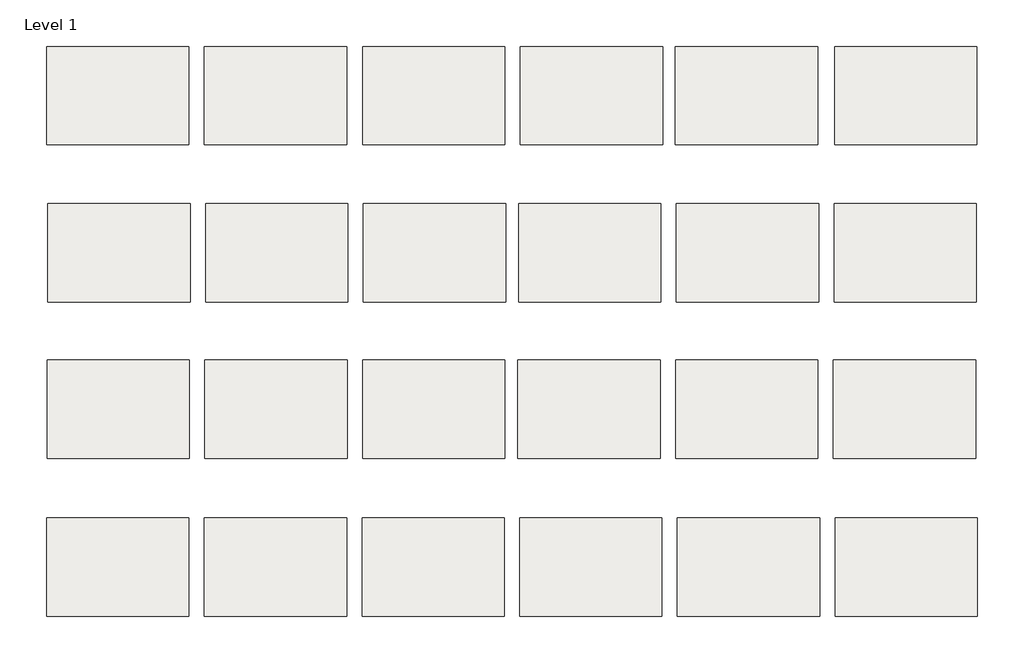
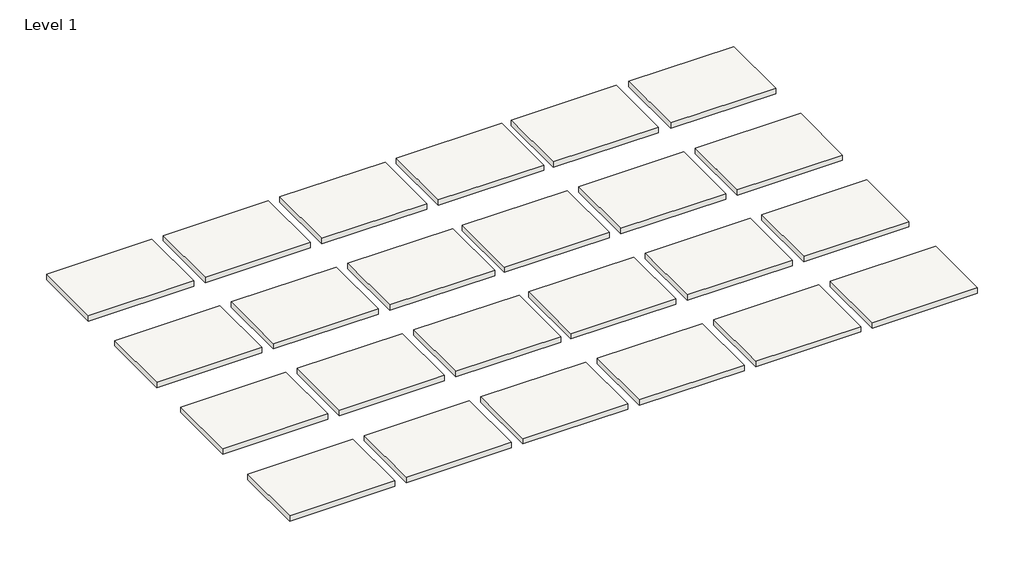
# One storey: 24 slabs.
"""IFC4 building model written with IfcOpenShell, lengths in millimetres."""

from ifc_helpers import new_model, si_unit, frame, origin, place, context, project, spatial, polyline, outline, extrude, element, save

model = new_model("IFC4")

# Units and contexts
model_context = context("Model", 3, world=origin())
ifc_project = project(units=[si_unit("LENGTHUNIT", "METRE", prefix="MILLI")], contexts=[model_context])

# Site, building, storey
site = spatial("IfcSite", under=ifc_project)
building = spatial("IfcBuilding", under=site)
storey = spatial("IfcBuildingStorey", under=building, Name="Level 1", Elevation=0.0)

# Slabs
placement = place(None, origin())
element("IfcSlab", 1, at=placement, inside=storey, context=model_context, shape_type="SweptSolid", body=[
    extrude(outline(polyline([(-37935.6980893, 34249.7017624), (-37935.6980893, 34491.0017624), (-37586.4480893, 34491.0017624), (-37586.4480893, 34249.7017624), (-37935.6980893, 34249.7017624)])), frame((0.0, 0.0, -19.05), z_axis=(0.0, 0.0, 1.0), x_axis=(1.0, 0.0, 0.0)), (0.0, 0.0, 1.0), 19.05),
])
element("IfcSlab", 2, at=placement, inside=storey, context=model_context, shape_type="SweptSolid", body=[
    extrude(outline(polyline([(-37160.0582683, 34249.7017624), (-37160.0582683, 34491.0017624), (-36810.8082683, 34491.0017624), (-36810.8082683, 34249.7017624), (-37160.0582683, 34249.7017624)])), frame((0.0, 0.0, -19.05), z_axis=(0.0, 0.0, 1.0), x_axis=(1.0, 0.0, 0.0)), (0.0, 0.0, 1.0), 19.05),
])
element("IfcSlab", 3, at=placement, inside=storey, context=model_context, shape_type="SweptSolid", body=[
    extrude(outline(polyline([(-36772.7082683, 34249.7017624), (-36772.7082683, 34491.0017624), (-36423.4582683, 34491.0017624), (-36423.4582683, 34249.7017624), (-36772.7082683, 34249.7017624)])), frame((0.0, 0.0, -19.05), z_axis=(0.0, 0.0, 1.0), x_axis=(1.0, 0.0, 0.0)), (0.0, 0.0, 1.0), 19.05),
])
element("IfcSlab", 4, at=placement, inside=storey, context=model_context, shape_type="SweptSolid", body=[
    extrude(outline(polyline([(-37932.7392949, 33863.1871206), (-37932.7392949, 34104.4871206), (-37583.4892949, 34104.4871206), (-37583.4892949, 33863.1871206), (-37932.7392949, 33863.1871206)])), frame((0.0, 0.0, -19.05), z_axis=(0.0, 0.0, 1.0), x_axis=(1.0, 0.0, 0.0)), (0.0, 0.0, 1.0), 19.05),
])
element("IfcSlab", 5, at=placement, inside=storey, context=model_context, shape_type="SweptSolid", body=[
    extrude(outline(polyline([(-37158.0392949, 33863.1871206), (-37158.0392949, 34104.4871206), (-36808.7892949, 34104.4871206), (-36808.7892949, 33863.1871206), (-37158.0392949, 33863.1871206)])), frame((0.0, 0.0, -19.05), z_axis=(0.0, 0.0, 1.0), x_axis=(1.0, 0.0, 0.0)), (0.0, 0.0, 1.0), 19.05),
])
element("IfcSlab", 6, at=placement, inside=storey, context=model_context, shape_type="SweptSolid", body=[
    extrude(outline(polyline([(-36389.6892949, 33863.1871206), (-36389.6892949, 34104.4871206), (-36040.4392949, 34104.4871206), (-36040.4392949, 33863.1871206), (-36389.6892949, 33863.1871206)])), frame((0.0, 0.0, -19.05), z_axis=(0.0, 0.0, 1.0), x_axis=(1.0, 0.0, 0.0)), (0.0, 0.0, 1.0), 19.05),
])
element("IfcSlab", 7, at=placement, inside=storey, context=model_context, shape_type="SweptSolid", body=[
    extrude(outline(polyline([(-37547.1003724, 33478.7784357), (-37547.1003724, 33720.0784357), (-37197.8503724, 33720.0784357), (-37197.8503724, 33478.7784357), (-37547.1003724, 33478.7784357)])), frame((0.0, 0.0, -19.05), z_axis=(0.0, 0.0, 1.0), x_axis=(1.0, 0.0, 0.0)), (0.0, 0.0, 1.0), 19.05),
])
element("IfcSlab", 8, at=placement, inside=storey, context=model_context, shape_type="SweptSolid", body=[
    extrude(outline(polyline([(-37548.8114499, 33091.1947508), (-37548.8114499, 33332.4947508), (-37199.5614499, 33332.4947508), (-37199.5614499, 33091.1947508), (-37548.8114499, 33091.1947508)])), frame((0.0, 0.0, -19.05), z_axis=(0.0, 0.0, 1.0), x_axis=(1.0, 0.0, 0.0)), (0.0, 0.0, 1.0), 19.05),
])
element("IfcSlab", 9, at=placement, inside=storey, context=model_context, shape_type="SweptSolid", body=[
    extrude(outline(polyline([(-37161.4614499, 33091.1947508), (-37161.4614499, 33332.4947508), (-36812.2114499, 33332.4947508), (-36812.2114499, 33091.1947508), (-37161.4614499, 33091.1947508)])), frame((0.0, 0.0, -19.05), z_axis=(0.0, 0.0, 1.0), x_axis=(1.0, 0.0, 0.0)), (0.0, 0.0, 1.0), 19.05),
])
element("IfcSlab", 10, at=placement, inside=storey, context=model_context, shape_type="SweptSolid", body=[
    extrude(outline(polyline([(-36774.1114499, 33091.1947508), (-36774.1114499, 33332.4947508), (-36424.8614499, 33332.4947508), (-36424.8614499, 33091.1947508), (-36774.1114499, 33091.1947508)])), frame((0.0, 0.0, -19.05), z_axis=(0.0, 0.0, 1.0), x_axis=(1.0, 0.0, 0.0)), (0.0, 0.0, 1.0), 19.05),
])
element("IfcSlab", 11, at=placement, inside=storey, context=model_context, shape_type="SweptSolid", body=[
    extrude(outline(polyline([(-36386.7614499, 33091.1947508), (-36386.7614499, 33332.4947508), (-36037.5114499, 33332.4947508), (-36037.5114499, 33091.1947508), (-36386.7614499, 33091.1947508)])), frame((0.0, 0.0, -19.05), z_axis=(0.0, 0.0, 1.0), x_axis=(1.0, 0.0, 0.0)), (0.0, 0.0, 1.0), 19.05),
])
element("IfcSlab", 12, at=placement, inside=storey, context=model_context, shape_type="SweptSolid", body=[
    extrude(outline(polyline([(-35999.4114499, 33091.1947508), (-35999.4114499, 33332.4947508), (-35650.1614499, 33332.4947508), (-35650.1614499, 33091.1947508), (-35999.4114499, 33091.1947508)])), frame((0.0, 0.0, -19.05), z_axis=(0.0, 0.0, 1.0), x_axis=(1.0, 0.0, 0.0)), (0.0, 0.0, 1.0), 19.05),
])
element("IfcSlab", 13, at=placement, inside=storey, context=model_context, shape_type="SweptSolid", body=[
    extrude(outline(polyline([(-37548.3480893, 34249.7017624), (-37548.3480893, 34491.0017624), (-37199.0980893, 34491.0017624), (-37199.0980893, 34249.7017624), (-37548.3480893, 34249.7017624)])), frame((0.0, 0.0, -19.05), z_axis=(0.0, 0.0, 1.0), x_axis=(1.0, 0.0, 0.0)), (0.0, 0.0, 1.0), 19.05),
])
element("IfcSlab", 14, ObjectType="Edgewood Base Tread GB 500 - 3/4\" Thick HD Carpet Charcoal", at=placement, inside=storey, context=model_context, shape_type="SweptSolid", body=[
    extrude(outline(polyline([(-37545.3892949, 33863.1871206), (-37545.3892949, 34104.4871206), (-37196.1392949, 34104.4871206), (-37196.1392949, 33863.1871206), (-37545.3892949, 33863.1871206)])), frame((0.0, 0.0, -19.05), z_axis=(0.0, 0.0, 1.0), x_axis=(1.0, 0.0, 0.0)), (0.0, 0.0, 1.0), 19.05),
])
element("IfcSlab", 15, ObjectType="Edgewood Base Tread GB 500 - 3/4\" Thick HD Carpet Denim", at=placement, inside=storey, context=model_context, shape_type="SweptSolid", body=[
    extrude(outline(polyline([(-36777.0392949, 33863.1871206), (-36777.0392949, 34104.4871206), (-36427.7892949, 34104.4871206), (-36427.7892949, 33863.1871206), (-36777.0392949, 33863.1871206)])), frame((0.0, 0.0, -19.05), z_axis=(0.0, 0.0, 1.0), x_axis=(1.0, 0.0, 0.0)), (0.0, 0.0, 1.0), 19.05),
])
element("IfcSlab", 16, ObjectType="Edgewood Base Tread GB 500 - 3/4\" Thick HD Carpet Espresso", at=placement, inside=storey, context=model_context, shape_type="SweptSolid", body=[
    extrude(outline(polyline([(-36002.3392949, 33863.1871206), (-36002.3392949, 34104.4871206), (-35653.0892949, 34104.4871206), (-35653.0892949, 33863.1871206), (-36002.3392949, 33863.1871206)])), frame((0.0, 0.0, -19.05), z_axis=(0.0, 0.0, 1.0), x_axis=(1.0, 0.0, 0.0)), (0.0, 0.0, 1.0), 19.05),
])
element("IfcSlab", 17, ObjectType="Edgewood Base Tread GB 500 - 3/4\" Thick HD Carpet Java", at=placement, inside=storey, context=model_context, shape_type="SweptSolid", body=[
    extrude(outline(polyline([(-37934.4503724, 33478.7784357), (-37934.4503724, 33720.0784357), (-37585.2003724, 33720.0784357), (-37585.2003724, 33478.7784357), (-37934.4503724, 33478.7784357)])), frame((0.0, 0.0, -19.05), z_axis=(0.0, 0.0, 1.0), x_axis=(1.0, 0.0, 0.0)), (0.0, 0.0, 1.0), 19.05),
])
element("IfcSlab", 18, ObjectType="Edgewood Base Tread GB 500 - 3/4\" Thick HD Carpet Onyx", at=placement, inside=storey, context=model_context, shape_type="SweptSolid", body=[
    extrude(outline(polyline([(-36391.7082683, 34249.7017624), (-36391.7082683, 34491.0017624), (-36042.4582683, 34491.0017624), (-36042.4582683, 34249.7017624), (-36391.7082683, 34249.7017624)])), frame((0.0, 0.0, -19.05), z_axis=(0.0, 0.0, 1.0), x_axis=(1.0, 0.0, 0.0)), (0.0, 0.0, 1.0), 19.05),
])
element("IfcSlab", 19, ObjectType="Edgewood Base Tread GB 500 - 3/4\" Thick HD Carpet Shadow", at=placement, inside=storey, context=model_context, shape_type="SweptSolid", body=[
    extrude(outline(polyline([(-36001.1832683, 34249.7017624), (-36001.1832683, 34491.0017624), (-35651.9332683, 34491.0017624), (-35651.9332683, 34249.7017624), (-36001.1832683, 34249.7017624)])), frame((0.0, 0.0, -19.05), z_axis=(0.0, 0.0, 1.0), x_axis=(1.0, 0.0, 0.0)), (0.0, 0.0, 1.0), 19.05),
])
element("IfcSlab", 20, ObjectType="Edgewood Base Tread GB 500 - 3/4\" Thick HD Carpet Spice", at=placement, inside=storey, context=model_context, shape_type="SweptSolid", body=[
    extrude(outline(polyline([(-37159.7503724, 33478.7784357), (-37159.7503724, 33720.0784357), (-36810.5003724, 33720.0784357), (-36810.5003724, 33478.7784357), (-37159.7503724, 33478.7784357)])), frame((0.0, 0.0, -19.05), z_axis=(0.0, 0.0, 1.0), x_axis=(1.0, 0.0, 0.0)), (0.0, 0.0, 1.0), 19.05),
])
element("IfcSlab", 21, ObjectType="Edgewood Base Tread GB 500 - 3/4\" Thick HD Carpet Suede", at=placement, inside=storey, context=model_context, shape_type="SweptSolid", body=[
    extrude(outline(polyline([(-36778.7503724, 33478.7784357), (-36778.7503724, 33720.0784357), (-36429.5003724, 33720.0784357), (-36429.5003724, 33478.7784357), (-36778.7503724, 33478.7784357)])), frame((0.0, 0.0, -19.05), z_axis=(0.0, 0.0, 1.0), x_axis=(1.0, 0.0, 0.0)), (0.0, 0.0, 1.0), 19.05),
])
element("IfcSlab", 22, ObjectType="Edgewood Base Tread GB 500 - 3/4\" Thick Vinyl Black", at=placement, inside=storey, context=model_context, shape_type="SweptSolid", body=[
    extrude(outline(polyline([(-36391.4003724, 33478.7784357), (-36391.4003724, 33720.0784357), (-36042.1503724, 33720.0784357), (-36042.1503724, 33478.7784357), (-36391.4003724, 33478.7784357)])), frame((0.0, 0.0, -19.05), z_axis=(0.0, 0.0, 1.0), x_axis=(1.0, 0.0, 0.0)), (0.0, 0.0, 1.0), 19.05),
])
element("IfcSlab", 23, ObjectType="Edgewood Base Tread GB 500 - 3/4\" Thick Vinyl Brown", at=placement, inside=storey, context=model_context, shape_type="SweptSolid", body=[
    extrude(outline(polyline([(-36004.0503724, 33478.7784357), (-36004.0503724, 33720.0784357), (-35654.8003724, 33720.0784357), (-35654.8003724, 33478.7784357), (-36004.0503724, 33478.7784357)])), frame((0.0, 0.0, -19.05), z_axis=(0.0, 0.0, 1.0), x_axis=(1.0, 0.0, 0.0)), (0.0, 0.0, 1.0), 19.05),
])
element("IfcSlab", 24, ObjectType="Edgewood Base Tread GB 500 - 3/4\" Thick Vinyl Grey", at=placement, inside=storey, context=model_context, shape_type="SweptSolid", body=[
    extrude(outline(polyline([(-37936.1614499, 33091.1947508), (-37936.1614499, 33332.4947508), (-37586.9114499, 33332.4947508), (-37586.9114499, 33091.1947508), (-37936.1614499, 33091.1947508)])), frame((0.0, 0.0, -19.05), z_axis=(0.0, 0.0, 1.0), x_axis=(1.0, 0.0, 0.0)), (0.0, 0.0, 1.0), 19.05),
])

save(model, "model.ifc")
